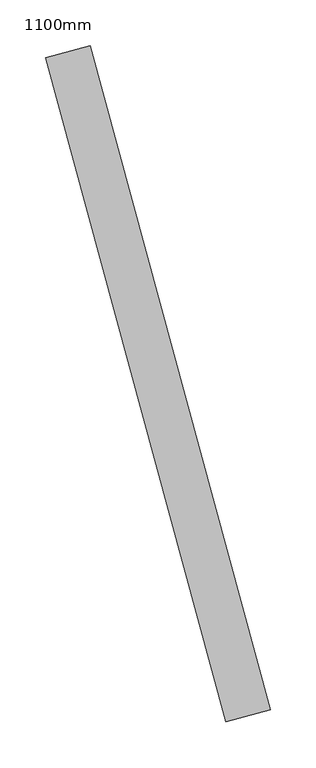
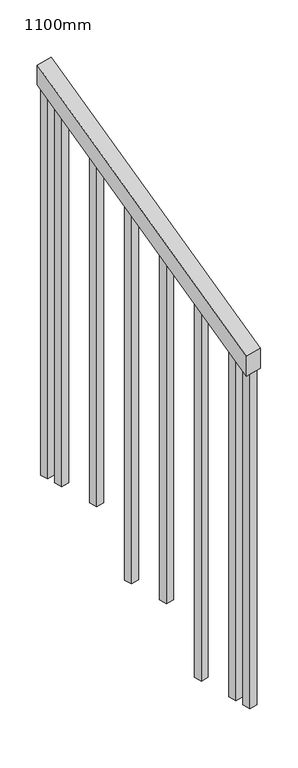
"""IFC4 building model written with IfcOpenShell, lengths in millimetres: railing geometry, 1100mm."""

from ifc_helpers import new_model, si_unit, frame, origin, place, context, project, spatial, polyline, outline, extrude, source, transform, mapped, element, save


def railing_1100mm_a3b22470(model_context):
    return source(origin(), model_context, "Body", "SweptSolid", [
        extrude(outline(polyline([(-35.5555555, -50.0), (0.0, 0.0), (920.2958461, 0.0), (884.7402905, -50.0), (-35.5555555, -50.0)])), frame((95355.0898543, 55062.117725, 1277.7777778), z_axis=(0.9649894123601793, 0.26228883703420486, 0.0), x_axis=(-0.21375368431597294, 0.7864232597554067, 0.5795237863599971)), (0.0, 0.0, 1.0), 50.0),
        extrude(outline(polyline([(108.8888889, 0.0), (91.1111112, 25.0), (1271.980277, 25.0), (1271.980277, 0.0), (108.8888889, 0.0)])), frame((95190.107257, 55716.7641888, 1805.3136103), z_axis=(0.9649894123601821, 0.2622888370341949, 0.0), x_axis=(0.0, 0.0, -1.0)), (0.0, 0.0, 1.0), 25.0),
        extrude(outline(polyline([(108.8888889, 0.0), (91.1111111, 25.0), (1183.0913881, 25.0), (1183.0913881, 0.0), (108.8888889, 0.0)])), frame((95222.8933616, 55596.1405122, 1716.4247214), z_axis=(0.9649894123601821, 0.2622888370341949, 0.0), x_axis=(0.0, 0.0, -1.0)), (0.0, 0.0, 1.0), 25.0),
        extrude(outline(polyline([(108.8888889, 0.0), (91.1111111, 25.0), (1271.9802769, 25.0), (1271.9802769, 0.0), (108.8888889, 0.0)])), frame((95255.6794663, 55475.5168357, 1627.5358325), z_axis=(0.9649894123601821, 0.2622888370341949, 0.0), x_axis=(0.0, 0.0, -1.0)), (0.0, 0.0, 1.0), 25.0),
        extrude(outline(polyline([(108.8888889, 0.0), (91.1111111, 25.0), (1183.091388, 25.0), (1183.091388, 0.0), (108.8888889, 0.0)])), frame((95288.4655709, 55354.8931591, 1538.6469436), z_axis=(0.9649894123601821, 0.2622888370341949, 0.0), x_axis=(0.0, 0.0, -1.0)), (0.0, 0.0, 1.0), 25.0),
        extrude(outline(polyline([(108.8888889, 0.0), (91.1111111, 25.0), (1271.9802769, 25.0), (1271.9802769, 0.0), (108.8888889, 0.0)])), frame((95321.2516755, 55234.2694826, 1449.7580547), z_axis=(0.9649894123601821, 0.2622888370341949, 0.0), x_axis=(0.0, 0.0, -1.0)), (0.0, 0.0, 1.0), 25.0),
        extrude(outline(polyline([(108.8888889, 0.0), (91.1111111, 25.0), (1183.091388, 25.0), (1183.091388, 0.0), (108.8888889, 0.0)])), frame((95354.0377801, 55113.645806, 1360.8691658), z_axis=(0.9649894123601821, 0.2622888370341949, 0.0), x_axis=(0.0, 0.0, -1.0)), (0.0, 0.0, 1.0), 25.0),
        extrude(outline(polyline([(108.8888889, 0.0), (91.1111111, 25.0), (1307.5358325, 25.0), (1307.5358325, 0.0), (108.8888889, 0.0)])), frame((95176.9928151, 55765.0136594, 1840.8691658), z_axis=(0.9649894123601821, 0.2622888370341949, 0.0), x_axis=(0.0, 0.0, -1.0)), (0.0, 0.0, 1.0), 25.0),
        extrude(outline(polyline([(108.8888889, 0.0), (91.1111112, 25.0), (1147.5358325, 25.0), (1147.5358325, 0.0), (108.8888889, 0.0)])), frame((95367.152222, 55065.3963354, 1325.3136103), z_axis=(0.9649894123601821, 0.2622888370341949, 0.0), x_axis=(0.0, 0.0, -1.0)), (0.0, 0.0, 1.0), 25.0),
    ])


if __name__ == "__main__":
    model = new_model("IFC4")
    model_context = context("Model", 3, world=origin())
    ifc_project = project(units=[si_unit("LENGTHUNIT", "METRE", prefix="MILLI")], contexts=[model_context])
    site = spatial("IfcSite", under=ifc_project)
    building = spatial("IfcBuilding", under=site)
    placement = place(None, origin())
    railing_1100mm_shape = railing_1100mm_a3b22470(model_context)
    element("IfcRailing", 1, ObjectType="1100mm", at=placement, inside=building, context=model_context, shape_type="MappedRepresentation", body=[
        mapped(railing_1100mm_shape, transform((0.0, 0.0, 0.0), x_axis=(1.0, 0.0, 0.0), y_axis=(0.0, 1.0, 0.0), z_axis=(0.0, 0.0, 1.0))),
    ])
    save(model, "model.ifc")
